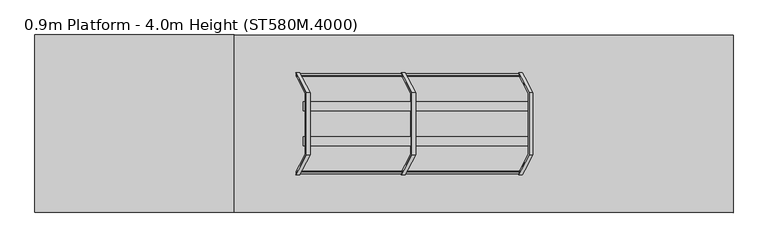
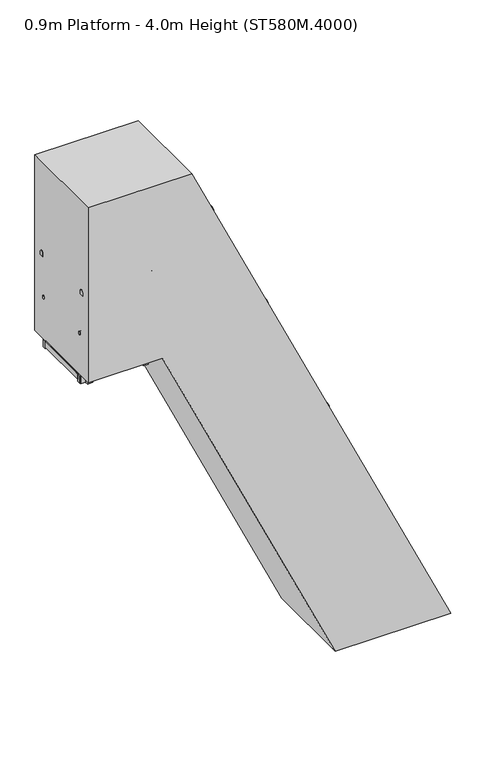
"""IFC4 building model written with IfcOpenShell, lengths in millimetres: proxy geometry, 0.9m Platform - 4.0m Height (ST580M.4000)."""

from ifc_helpers import new_model, si_unit, point, frame, frame_2d, origin, origin_with_axes, place, context, project, spatial, polyline, circle_curve, ellipse_curve, trimmed, segment, composite_curve, outline, extrude, source, transform, mapped, element, save
from ifc_brep_helpers import plane_surface, cylinder_surface, advanced_brep


def proxy_0_9m_platform_4_0m_height_st580m_4000_9453c8ec(model_context):
    return source(origin(), model_context, "Body", "SolidModel", [
        extrude(outline(polyline([(3750.0, -287.4257396), (3670.0, -250.121132), (3670.0, -139.783335), (3750.0, -177.0879476), (3750.0, -287.4257396)])), frame((0.0, 298.5, 0.0), z_axis=(0.0, 1.0, 0.0), x_axis=(0.0, 0.0, 1.0)), (0.0, 0.0, 1.0), 6.0),
        extrude(outline(polyline([(3750.0, -287.4257396), (3670.0, -250.121132), (3670.0, -139.783335), (3750.0, -177.0879476), (3750.0, -287.4257396)])), frame((0.0, -304.5, 0.0), z_axis=(0.0, 1.0, 0.0), x_axis=(0.0, 0.0, 1.0)), (0.0, 0.0, 1.0), 6.0),
        extrude(outline(polyline([(3750.0, -280.2537833), (3712.0999991, -262.5807251), (3712.0999991, -260.3739693), (3747.0, -276.6481048), (3747.0, -177.8957805), (3712.0999991, -161.6216428), (3712.0999991, -159.414887), (3750.0, -177.0879476), (3750.0, -197.5156888), (3749.2749538, -197.8537833), (3750.0, -198.1918779), (3750.0, -218.1156888), (3749.2749538, -218.4537833), (3750.0, -218.7918779), (3750.0, -238.7156888), (3749.2749538, -239.0537833), (3750.0, -239.3918779), (3750.0, -259.3156888), (3749.2749538, -259.6537833), (3750.0, -259.9918779), (3750.0, -280.2537833)])), frame((0.0, -298.5, 0.0), z_axis=(0.0, 1.0, 0.0), x_axis=(0.0, 0.0, 1.0)), (0.0, 0.0, 1.0), 597.0),
        extrude(outline(polyline([(3500.0, -170.8466911), (3420.0, -133.5420835), (3420.0, -23.2042864), (3500.0, -60.5088991), (3500.0, -170.8466911)])), frame((0.0, 298.5, 0.0), z_axis=(0.0, 1.0, 0.0), x_axis=(0.0, 0.0, 1.0)), (0.0, 0.0, 1.0), 6.0),
        extrude(outline(polyline([(3500.0, -170.8466911), (3420.0, -133.5420835), (3420.0, -23.2042864), (3500.0, -60.5088991), (3500.0, -170.8466911)])), frame((0.0, -304.5, 0.0), z_axis=(0.0, 1.0, 0.0), x_axis=(0.0, 0.0, 1.0)), (0.0, 0.0, 1.0), 6.0),
        extrude(outline(polyline([(3500.0, -163.6747348), (3462.0999991, -146.0016765), (3462.0999991, -143.7949207), (3497.0, -160.0690562), (3497.0, -61.3167319), (3462.0999991, -45.0425943), (3462.0999991, -42.8358384), (3500.0, -60.5088991), (3500.0, -80.9366402), (3499.2749538, -81.2747348), (3500.0, -81.6128293), (3500.0, -101.5366402), (3499.2749538, -101.8747348), (3500.0, -102.2128293), (3500.0, -122.1366402), (3499.2749538, -122.4747348), (3500.0, -122.8128293), (3500.0, -142.7366402), (3499.2749538, -143.0747348), (3500.0, -143.4128293), (3500.0, -163.6747348)])), frame((0.0, -298.5, 0.0), z_axis=(0.0, 1.0, 0.0), x_axis=(0.0, 0.0, 1.0)), (0.0, 0.0, 1.0), 597.0),
        extrude(outline(polyline([(3250.0, -54.2676425), (3170.0, -16.9630349), (3170.0, 93.3747622), (3250.0, 56.0701495), (3250.0, -54.2676425)])), frame((0.0, 298.5, 0.0), z_axis=(0.0, 1.0, 0.0), x_axis=(0.0, 0.0, 1.0)), (0.0, 0.0, 1.0), 6.0),
        extrude(outline(polyline([(3250.0, -54.2676425), (3170.0, -16.9630349), (3170.0, 93.3747622), (3250.0, 56.0701495), (3250.0, -54.2676425)])), frame((0.0, -304.5, 0.0), z_axis=(0.0, 1.0, 0.0), x_axis=(0.0, 0.0, 1.0)), (0.0, 0.0, 1.0), 6.0),
        extrude(outline(polyline([(3250.0, -47.0956862), (3212.0999991, -29.422628), (3212.0999991, -27.2158722), (3247.0, -43.4900077), (3247.0, 55.2623166), (3212.0999991, 71.5364543), (3212.0999991, 73.7432101), (3250.0, 56.0701495), (3250.0, 35.6424083), (3249.2749538, 35.3043138), (3250.0, 34.9662192), (3250.0, 15.0424083), (3249.2749538, 14.7043138), (3250.0, 14.3662192), (3250.0, -5.5575917), (3249.2749538, -5.8956862), (3250.0, -6.2337808), (3250.0, -26.1575917), (3249.2749538, -26.4956862), (3250.0, -26.8337808), (3250.0, -47.0956862)])), frame((0.0, -298.5, 0.0), z_axis=(0.0, 1.0, 0.0), x_axis=(0.0, 0.0, 1.0)), (0.0, 0.0, 1.0), 597.0),
        extrude(outline(polyline([(3000.0, 62.311406), (2920.0, 99.6160136), (2920.0, 209.9538107), (3000.0, 172.6491981), (3000.0, 62.311406)])), frame((0.0, 298.5, 0.0), z_axis=(0.0, 1.0, 0.0), x_axis=(0.0, 0.0, 1.0)), (0.0, 0.0, 1.0), 6.0),
        extrude(outline(polyline([(3000.0, 62.311406), (2920.0, 99.6160136), (2920.0, 209.9538107), (3000.0, 172.6491981), (3000.0, 62.311406)])), frame((0.0, -304.5, 0.0), z_axis=(0.0, 1.0, 0.0), x_axis=(0.0, 0.0, 1.0)), (0.0, 0.0, 1.0), 6.0),
        extrude(outline(polyline([(3000.0, 69.4833623), (2962.0999991, 87.1564206), (2962.0999991, 89.3631764), (2997.0, 73.0890409), (2997.0, 171.8413652), (2962.0999991, 188.1155029), (2962.0999991, 190.3222587), (3000.0, 172.6491981), (3000.0, 152.2214569), (2999.2749538, 151.8833623), (3000.0, 151.5452678), (3000.0, 131.6214569), (2999.2749538, 131.2833623), (3000.0, 130.9452678), (3000.0, 111.0214569), (2999.2749538, 110.6833623), (3000.0, 110.3452678), (3000.0, 90.4214569), (2999.2749538, 90.0833623), (3000.0, 89.7452678), (3000.0, 69.4833623)])), frame((0.0, -298.5, 0.0), z_axis=(0.0, 1.0, 0.0), x_axis=(0.0, 0.0, 1.0)), (0.0, 0.0, 1.0), 597.0),
        extrude(outline(polyline([(2750.0, 178.8904546), (2670.0, 216.1950622), (2670.0, 326.5328593), (2750.0, 289.2282466), (2750.0, 178.8904546)])), frame((0.0, 298.5, 0.0), z_axis=(0.0, 1.0, 0.0), x_axis=(0.0, 0.0, 1.0)), (0.0, 0.0, 1.0), 6.0),
        extrude(outline(polyline([(2750.0, 178.8904546), (2670.0, 216.1950622), (2670.0, 326.5328593), (2750.0, 289.2282466), (2750.0, 178.8904546)])), frame((0.0, -304.5, 0.0), z_axis=(0.0, 1.0, 0.0), x_axis=(0.0, 0.0, 1.0)), (0.0, 0.0, 1.0), 6.0),
        extrude(outline(polyline([(2750.0, 186.0624109), (2712.0999991, 203.7354691), (2712.0999991, 205.9422249), (2747.0, 189.6680895), (2747.0, 288.4204137), (2712.0999991, 304.6945514), (2712.0999991, 306.9013072), (2750.0, 289.2282466), (2750.0, 268.8005055), (2749.2749538, 268.4624109), (2750.0, 268.1243163), (2750.0, 248.2005055), (2749.2749538, 247.8624109), (2750.0, 247.5243163), (2750.0, 227.6005055), (2749.2749538, 227.2624109), (2750.0, 226.9243163), (2750.0, 207.0005055), (2749.2749538, 206.6624109), (2750.0, 206.3243163), (2750.0, 186.0624109)])), frame((0.0, -298.5, 0.0), z_axis=(0.0, 1.0, 0.0), x_axis=(0.0, 0.0, 1.0)), (0.0, 0.0, 1.0), 597.0),
        extrude(outline(polyline([(2500.0, 295.4695031), (2420.0, 332.7741107), (2420.0, 443.1119078), (2500.0, 405.8072952), (2500.0, 295.4695031)])), frame((0.0, 298.5, 0.0), z_axis=(0.0, 1.0, 0.0), x_axis=(0.0, 0.0, 1.0)), (0.0, 0.0, 1.0), 6.0),
        extrude(outline(polyline([(2500.0, 295.4695031), (2420.0, 332.7741107), (2420.0, 443.1119078), (2500.0, 405.8072952), (2500.0, 295.4695031)])), frame((0.0, -304.5, 0.0), z_axis=(0.0, 1.0, 0.0), x_axis=(0.0, 0.0, 1.0)), (0.0, 0.0, 1.0), 6.0),
        extrude(outline(polyline([(2500.0, 302.6414594), (2462.0999991, 320.3145177), (2462.0999991, 322.5212735), (2497.0, 306.247138), (2497.0, 404.9994623), (2462.0999991, 421.2736), (2462.0999991, 423.4803558), (2500.0, 405.8072952), (2500.0, 385.379554), (2499.2749538, 385.0414594), (2500.0, 384.7033649), (2500.0, 364.779554), (2499.2749538, 364.4414594), (2500.0, 364.1033649), (2500.0, 344.179554), (2499.2749538, 343.8414594), (2500.0, 343.5033649), (2500.0, 323.579554), (2499.2749538, 323.2414594), (2500.0, 322.9033649), (2500.0, 302.6414594)])), frame((0.0, -298.5, 0.0), z_axis=(0.0, 1.0, 0.0), x_axis=(0.0, 0.0, 1.0)), (0.0, 0.0, 1.0), 597.0),
        extrude(outline(polyline([(2250.0, 412.0485517), (2170.0, 449.3531593), (2170.0, 559.6909564), (2250.0, 522.3863437), (2250.0, 412.0485517)])), frame((0.0, 298.5, 0.0), z_axis=(0.0, 1.0, 0.0), x_axis=(0.0, 0.0, 1.0)), (0.0, 0.0, 1.0), 6.0),
        extrude(outline(polyline([(2250.0, 412.0485517), (2170.0, 449.3531593), (2170.0, 559.6909564), (2250.0, 522.3863437), (2250.0, 412.0485517)])), frame((0.0, -304.5, 0.0), z_axis=(0.0, 1.0, 0.0), x_axis=(0.0, 0.0, 1.0)), (0.0, 0.0, 1.0), 6.0),
        extrude(outline(polyline([(2250.0, 419.220508), (2212.0999991, 436.8935662), (2212.0999991, 439.100322), (2247.0, 422.8261866), (2247.0, 521.5785109), (2212.0999991, 537.8526485), (2212.0999991, 540.0594044), (2250.0, 522.3863437), (2250.0, 501.9586026), (2249.2749538, 501.620508), (2250.0, 501.2824134), (2250.0, 481.3586026), (2249.2749538, 481.020508), (2250.0, 480.6824134), (2250.0, 460.7586026), (2249.2749538, 460.420508), (2250.0, 460.0824134), (2250.0, 440.1586026), (2249.2749538, 439.820508), (2250.0, 439.4824134), (2250.0, 419.220508)])), frame((0.0, -298.5, 0.0), z_axis=(0.0, 1.0, 0.0), x_axis=(0.0, 0.0, 1.0)), (0.0, 0.0, 1.0), 597.0),
        extrude(outline(polyline([(2000.0, 528.6276002), (1920.0, 565.9322078), (1920.0, 676.2700049), (2000.0, 638.9653923), (2000.0, 528.6276002)])), frame((0.0, 298.5, 0.0), z_axis=(0.0, 1.0, 0.0), x_axis=(0.0, 0.0, 1.0)), (0.0, 0.0, 1.0), 6.0),
        extrude(outline(polyline([(2000.0, 528.6276002), (1920.0, 565.9322078), (1920.0, 676.2700049), (2000.0, 638.9653923), (2000.0, 528.6276002)])), frame((0.0, -304.5, 0.0), z_axis=(0.0, 1.0, 0.0), x_axis=(0.0, 0.0, 1.0)), (0.0, 0.0, 1.0), 6.0),
        extrude(outline(polyline([(2000.0, 535.7995565), (1962.0999991, 553.4726148), (1962.0999991, 555.6793706), (1997.0, 539.4052351), (1997.0, 638.1575594), (1962.0999991, 654.4316971), (1962.0999991, 656.6384529), (2000.0, 638.9653923), (2000.0, 618.5376511), (1999.2749538, 618.1995565), (2000.0, 617.861462), (2000.0, 597.9376511), (1999.2749538, 597.5995565), (2000.0, 597.261462), (2000.0, 577.3376511), (1999.2749538, 576.9995565), (2000.0, 576.661462), (2000.0, 556.7376511), (1999.2749538, 556.3995565), (2000.0, 556.061462), (2000.0, 535.7995565)])), frame((0.0, -298.5, 0.0), z_axis=(0.0, 1.0, 0.0), x_axis=(0.0, 0.0, 1.0)), (0.0, 0.0, 1.0), 597.0),
        extrude(outline(polyline([(1750.0, 645.2066488), (1670.0, 682.5112564), (1670.0, 792.8490535), (1750.0, 755.5444408), (1750.0, 645.2066488)])), frame((0.0, 298.5, 0.0), z_axis=(0.0, 1.0, 0.0), x_axis=(0.0, 0.0, 1.0)), (0.0, 0.0, 1.0), 6.0),
        extrude(outline(polyline([(1750.0, 645.2066488), (1670.0, 682.5112564), (1670.0, 792.8490535), (1750.0, 755.5444408), (1750.0, 645.2066488)])), frame((0.0, -304.5, 0.0), z_axis=(0.0, 1.0, 0.0), x_axis=(0.0, 0.0, 1.0)), (0.0, 0.0, 1.0), 6.0),
        extrude(outline(polyline([(1750.0, 652.3786051), (1712.0999991, 670.0516633), (1712.0999991, 672.2584191), (1747.0, 655.9842837), (1747.0, 754.736608), (1712.0999991, 771.0107456), (1712.0999991, 773.2175015), (1750.0, 755.5444408), (1750.0, 735.1166997), (1749.2749538, 734.7786051), (1750.0, 734.4405105), (1750.0, 714.5166997), (1749.2749538, 714.1786051), (1750.0, 713.8405105), (1750.0, 693.9166997), (1749.2749538, 693.5786051), (1750.0, 693.2405105), (1750.0, 673.3166997), (1749.2749538, 672.9786051), (1750.0, 672.6405105), (1750.0, 652.3786051)])), frame((0.0, -298.5, 0.0), z_axis=(0.0, 1.0, 0.0), x_axis=(0.0, 0.0, 1.0)), (0.0, 0.0, 1.0), 597.0),
        extrude(outline(polyline([(1500.0, 761.7856974), (1420.0, 799.090305), (1420.0, 909.428102), (1500.0, 872.1234894), (1500.0, 761.7856974)])), frame((0.0, 298.5, 0.0), z_axis=(0.0, 1.0, 0.0), x_axis=(0.0, 0.0, 1.0)), (0.0, 0.0, 1.0), 6.0),
        extrude(outline(polyline([(1500.0, 761.7856974), (1420.0, 799.090305), (1420.0, 909.428102), (1500.0, 872.1234894), (1500.0, 761.7856974)])), frame((0.0, -304.5, 0.0), z_axis=(0.0, 1.0, 0.0), x_axis=(0.0, 0.0, 1.0)), (0.0, 0.0, 1.0), 6.0),
        extrude(outline(polyline([(1500.0, 768.9576537), (1462.0999991, 786.6307119), (1462.0999991, 788.8374677), (1497.0, 772.5633322), (1497.0, 871.3156565), (1462.0999991, 887.5897942), (1462.0999991, 889.79655), (1500.0, 872.1234894), (1500.0, 851.6957482), (1499.2749538, 851.3576537), (1500.0, 851.0195591), (1500.0, 831.0957482), (1499.2749538, 830.7576537), (1500.0, 830.4195591), (1500.0, 810.4957482), (1499.2749538, 810.1576537), (1500.0, 809.8195591), (1500.0, 789.8957482), (1499.2749538, 789.5576537), (1500.0, 789.2195591), (1500.0, 768.9576537)])), frame((0.0, -298.5, 0.0), z_axis=(0.0, 1.0, 0.0), x_axis=(0.0, 0.0, 1.0)), (0.0, 0.0, 1.0), 597.0),
        extrude(outline(polyline([(1250.0, 878.3647459), (1170.0, 915.6693535), (1170.0, 1026.0071506), (1250.0, 988.7025379), (1250.0, 878.3647459)])), frame((0.0, 298.5, 0.0), z_axis=(0.0, 1.0, 0.0), x_axis=(0.0, 0.0, 1.0)), (0.0, 0.0, 1.0), 6.0),
        extrude(outline(polyline([(1250.0, 878.3647459), (1170.0, 915.6693535), (1170.0, 1026.0071506), (1250.0, 988.7025379), (1250.0, 878.3647459)])), frame((0.0, -304.5, 0.0), z_axis=(0.0, 1.0, 0.0), x_axis=(0.0, 0.0, 1.0)), (0.0, 0.0, 1.0), 6.0),
        extrude(outline(polyline([(1250.0, 885.5367022), (1212.0999991, 903.2097605), (1212.0999991, 905.4165162), (1247.0, 889.1423808), (1247.0, 987.8947051), (1212.0999991, 1004.1688427), (1212.0999991, 1006.3755986), (1250.0, 988.7025379), (1250.0, 968.2747968), (1249.2749538, 967.9367022), (1250.0, 967.5986076), (1250.0, 947.6747968), (1249.2749538, 947.3367022), (1250.0, 946.9986076), (1250.0, 927.0747968), (1249.2749538, 926.7367022), (1250.0, 926.3986076), (1250.0, 906.4747968), (1249.2749538, 906.1367022), (1250.0, 905.7986076), (1250.0, 885.5367022)])), frame((0.0, -298.5, 0.0), z_axis=(0.0, 1.0, 0.0), x_axis=(0.0, 0.0, 1.0)), (0.0, 0.0, 1.0), 597.0),
        extrude(outline(polyline([(1000.0, 994.9437945), (920.0, 1032.2484021), (920.0, 1142.5861991), (1000.0, 1105.2815865), (1000.0, 994.9437945)])), frame((0.0, 298.5, 0.0), z_axis=(0.0, 1.0, 0.0), x_axis=(0.0, 0.0, 1.0)), (0.0, 0.0, 1.0), 6.0),
        extrude(outline(polyline([(1000.0, 994.9437945), (920.0, 1032.2484021), (920.0, 1142.5861991), (1000.0, 1105.2815865), (1000.0, 994.9437945)])), frame((0.0, -304.5, 0.0), z_axis=(0.0, 1.0, 0.0), x_axis=(0.0, 0.0, 1.0)), (0.0, 0.0, 1.0), 6.0),
        extrude(outline(polyline([(1000.0, 1002.1157508), (962.0999991, 1019.788809), (962.0999991, 1021.9955648), (997.0, 1005.7214293), (997.0, 1104.4737536), (962.0999991, 1120.7478913), (962.0999991, 1122.9546471), (1000.0, 1105.2815865), (1000.0, 1084.8538453), (999.2749538, 1084.5157508), (1000.0, 1084.1776562), (1000.0, 1064.2538453), (999.2749538, 1063.9157508), (1000.0, 1063.5776562), (1000.0, 1043.6538453), (999.2749538, 1043.3157508), (1000.0, 1042.9776562), (1000.0, 1023.0538453), (999.2749538, 1022.7157508), (1000.0, 1022.3776562), (1000.0, 1002.1157508)])), frame((0.0, -298.5, 0.0), z_axis=(0.0, 1.0, 0.0), x_axis=(0.0, 0.0, 1.0)), (0.0, 0.0, 1.0), 597.0),
        extrude(outline(polyline([(750.0, 1111.522843), (670.0, 1148.8274506), (670.0, 1259.1652477), (750.0, 1221.860635), (750.0, 1111.522843)])), frame((0.0, 298.5, 0.0), z_axis=(0.0, 1.0, 0.0), x_axis=(0.0, 0.0, 1.0)), (0.0, 0.0, 1.0), 6.0),
        extrude(outline(polyline([(750.0, 1111.522843), (670.0, 1148.8274506), (670.0, 1259.1652477), (750.0, 1221.860635), (750.0, 1111.522843)])), frame((0.0, -304.5, 0.0), z_axis=(0.0, 1.0, 0.0), x_axis=(0.0, 0.0, 1.0)), (0.0, 0.0, 1.0), 6.0),
        extrude(outline(polyline([(750.0, 1118.6947993), (712.0999991, 1136.3678576), (712.0999991, 1138.5746133), (747.0, 1122.3004779), (747.0, 1221.0528022), (712.0999991, 1237.3269398), (712.0999991, 1239.5336957), (750.0, 1221.860635), (750.0, 1201.4328939), (749.2749538, 1201.0947993), (750.0, 1200.7567047), (750.0, 1180.8328939), (749.2749538, 1180.4947993), (750.0, 1180.1567047), (750.0, 1160.2328939), (749.2749538, 1159.8947993), (750.0, 1159.5567047), (750.0, 1139.6328939), (749.2749538, 1139.2947993), (750.0, 1138.9567047), (750.0, 1118.6947993)])), frame((0.0, -298.5, 0.0), z_axis=(0.0, 1.0, 0.0), x_axis=(0.0, 0.0, 1.0)), (0.0, 0.0, 1.0), 597.0),
        extrude(outline(polyline([(500.0, 1228.1018916), (420.0, 1265.4064992), (420.0, 1375.7442962), (500.0, 1338.4396836), (500.0, 1228.1018916)])), frame((0.0, 298.5, 0.0), z_axis=(0.0, 1.0, 0.0), x_axis=(0.0, 0.0, 1.0)), (0.0, 0.0, 1.0), 6.0),
        extrude(outline(polyline([(500.0, 1228.1018916), (420.0, 1265.4064992), (420.0, 1375.7442962), (500.0, 1338.4396836), (500.0, 1228.1018916)])), frame((0.0, -304.5, 0.0), z_axis=(0.0, 1.0, 0.0), x_axis=(0.0, 0.0, 1.0)), (0.0, 0.0, 1.0), 6.0),
        extrude(outline(polyline([(500.0, 1235.2738479), (462.0999991, 1252.9469061), (462.0999991, 1255.1536619), (497.0, 1238.8795264), (497.0, 1337.6318507), (462.0999991, 1353.9059884), (462.0999991, 1356.1127442), (500.0, 1338.4396836), (500.0, 1318.0119424), (499.2749538, 1317.6738479), (500.0, 1317.3357533), (500.0, 1297.4119424), (499.2749538, 1297.0738479), (500.0, 1296.7357533), (500.0, 1276.8119424), (499.2749538, 1276.4738479), (500.0, 1276.1357533), (500.0, 1256.2119424), (499.2749538, 1255.8738479), (500.0, 1255.5357533), (500.0, 1235.2738479)])), frame((0.0, -298.5, 0.0), z_axis=(0.0, 1.0, 0.0), x_axis=(0.0, 0.0, 1.0)), (0.0, 0.0, 1.0), 597.0),
        extrude(outline(polyline([(0.0, -6.0), (0.0, 0.0), (50.0, 0.0), (50.0, -6.0), (0.0, -6.0)])), frame((535.2019478, 296.0, 1938.5825879), z_axis=(-6.583104959989594e-06, 0.0, 0.9999999999783316), x_axis=(0.0, -1.0, 0.0)), (0.0, 0.0, 1.0), 120.0),
        extrude(outline(polyline([(2000.5832794, 640.2473839), (2058.5831013, 613.2011579), (2058.5825879, 535.2011579), (2000.5825879, 535.2015397), (2000.5832794, 640.2473839)])), frame((0.0, 252.0, 0.0), z_axis=(0.0, 1.0, 0.0), x_axis=(0.0, 0.0, 1.0)), (0.0, 0.0, 1.0), 38.0),
        extrude(outline(polyline([(0.0, -6.0), (0.0, 0.0), (50.0, 0.0), (50.0, -6.0), (0.0, -6.0)])), frame((529.2019478, -296.0, 1938.5825484), z_axis=(-6.5831049575471035e-06, 0.0, 0.9999999999783314), x_axis=(0.0, 1.0, 0.0)), (0.0, 0.0, 1.0), 120.0),
        extrude(outline(polyline([(2000.5832794, 640.2473839), (2058.5831013, 613.2011579), (2058.5825879, 535.2011579), (2000.5825879, 535.2015397), (2000.5832794, 640.2473839)])), frame((0.0, -290.0, 0.0), z_axis=(0.0, 1.0, 0.0), x_axis=(0.0, 0.0, 1.0)), (0.0, 0.0, 1.0), 38.0),
        extrude(outline(polyline([(0.0, -590.0), (0.0, 0.0), (2.0, 0.0), (2.0, -590.0), (0.0, -590.0)])), frame((1594.0185078, -295.0, 49.8963846), z_axis=(-0.4226242280508227, 0.0, 0.9063050048766399), x_axis=(-0.9063050048766399, 0.0, -0.4226242280508227)), (0.0, 0.0, 1.0), 2240.0),
        extrude(outline(polyline([(2250.0, 0.0), (2250.0, -600.0), (0.0, -600.0), (0.0, 0.0), (2250.0, 0.0)]), holes=[polyline([(1096.0, -58.0), (58.0, -58.0), (58.0, -542.0), (1096.0, -542.0), (1096.0, -58.0)]), polyline([(1154.0, -542.0), (2192.0, -542.0), (2192.0, -58.0), (1154.0, -58.0), (1154.0, -542.0)])]), frame((608.9749156, 300.0, 2067.6461514), z_axis=(0.9063050048766399, 0.0, 0.4226242280508227), x_axis=(0.4226242280508227, 0.0, -0.9063050048766399)), (0.0, 0.0, 1.0), 38.0),
        extrude(outline(polyline([(0.0, 0.0), (80.0, 0.0), (80.0, -6.0), (6.0, -6.0), (6.0, -50.0), (0.0, -50.0), (0.0, 0.0)])), frame((1492.2595522, 343.0, 173.4686912), z_axis=(-0.4226242280508227, 0.0, 0.9063050048766399), x_axis=(-0.9063050048766399, 0.0, -0.4226242280508227)), (0.0, 0.0, 1.0), 50.0),
        extrude(outline(polyline([(0.0, 686.0), (0.0, 736.0), (6.0, 736.0), (6.0, 692.0), (80.0, 692.0), (80.0, 686.0), (0.0, 686.0)])), frame((1492.2595522, 343.0, 173.4686912), z_axis=(-0.4226242280508227, 0.0, 0.9063050048766399), x_axis=(-0.9063050048766399, 0.0, -0.4226242280508227)), (0.0, 0.0, 1.0), 50.0),
        extrude(outline(polyline([(-100.0, 0.0), (0.0, 0.0), (0.0, -50.0), (-6.0, -50.0), (-6.0, -6.0000001), (-100.0, -6.0000001), (-100.0, 0.0)])), frame((1492.2595522, -300.0, 173.4686912), z_axis=(-0.4226242280508227, 0.0, 0.9063050048766399), x_axis=(0.0, 1.0, 0.0)), (0.0, 0.0, 1.0), 50.0),
        extrude(outline(polyline([(700.0, 0.0), (700.0, -6.0000001), (606.0, -6.0000001), (606.0, -50.0), (600.0, -50.0), (600.0, 0.0), (700.0, 0.0)])), frame((1492.2595522, -300.0, 173.4686912), z_axis=(-0.4226242280508227, 0.0, 0.9063050048766399), x_axis=(0.0, 1.0, 0.0)), (0.0, 0.0, 1.0), 50.0),
        extrude(outline(polyline([(1117.9768328, 1095.955855), (1132.3718132, 1142.2055527), (1038.1160927, 1186.1584724), (1011.9391472, 1145.4028897), (989.2815221, 1155.9684954), (993.5077644, 1165.0315454), (1008.0086445, 1158.2695578), (1034.18559, 1199.0251405), (1144.7548006, 1147.4649847), (1130.3598201, 1101.215287), (1144.8607002, 1094.4532994), (1140.6344579, 1085.3902493), (1117.9768328, 1095.955855)])), frame((0.0, 201.0, 0.0), z_axis=(0.0, 1.0, 0.0), x_axis=(0.0, 0.0, 1.0)), (0.0, 0.0, 1.0), 44.0),
        extrude(outline(polyline([(1117.9768328, 1095.955855), (1132.3718132, 1142.2055527), (1038.1160927, 1186.1584724), (1011.9391472, 1145.4028897), (989.2815221, 1155.9684954), (993.5077644, 1165.0315454), (1008.0086445, 1158.2695578), (1034.18559, 1199.0251405), (1144.7548006, 1147.4649847), (1130.3598201, 1101.215287), (1144.8607002, 1094.4532994), (1140.6344579, 1085.3902493), (1117.9768328, 1095.955855)])), frame((0.0, -245.0, 0.0), z_axis=(0.0, 1.0, 0.0), x_axis=(0.0, 0.0, 1.0)), (0.0, 0.0, 1.0), 44.0),
        extrude(outline(polyline([(-573.915974, 0.0), (0.0, 0.0), (168.0, -100.0), (268.0, -275.0), (268.0, -621.0), (168.0, -796.0), (0.0, -896.0), (-573.915974, -896.0), (-626.9765801, -845.0), (-710.8030303, -845.0), (-710.8030303, -839.0), (-624.560606, -839.0), (-571.5, -890.0), (-1.5933867, -890.0), (163.6024049, -791.6024049), (262.0, -619.4066134), (262.0, -276.5933866), (163.6024049, -104.3975951), (-1.5933867, -6.0), (-571.5, -6.0), (-624.560606, -57.0), (-710.8030303, -57.0), (-710.8030303, -51.0), (-626.9765801, -51.0), (-573.915974, 0.0)])), frame((4.120262, 448.0, 5128.9323502), z_axis=(-0.4226242280508227, 0.0, 0.9063050048766399), x_axis=(0.9063050048766399, 0.0, 0.4226242280508227)), (0.0, 0.0, 1.0), 50.0),
        extrude(outline(polyline([(-6.0, 0.0), (0.0, 0.0), (0.0, -77.5840259), (99.0, -180.5840259), (99.0, -827.0), (-1.0, -994.9999999), (-176.0, -1095.0), (-522.0, -1095.0), (-697.0, -994.9999999), (-797.0, -827.0), (-797.0, -180.5840259), (-698.0, -77.5840259), (-698.0, 0.0), (-692.0, 0.0), (-692.0, -80.0), (-791.0, -183.0), (-791.0, -825.4066133), (-692.6024049, -990.6024049), (-520.4066134, -1089.0), (-177.5933866, -1089.0), (-5.3975951, -990.6024049), (93.0, -825.4066133), (93.0, -183.0), (-6.0, -80.0), (-6.0, 0.0)])), frame((504.0599175, 349.0, 2100.005642), z_axis=(-0.4226242280508227, 0.0, 0.9063050048766399), x_axis=(0.0, 1.0, 0.0)), (0.0, 0.0, 1.0), 50.0),
        extrude(outline(polyline([(0.0, 0.0), (50.0, 0.0), (50.0, -12.0), (0.0, -12.0), (0.0, 0.0)])), frame((920.0539147, 430.0, 2293.9901627), z_axis=(-0.4226242280508227, 0.0, 0.9063050048766399), x_axis=(-0.9063050048766399, 0.0, -0.4226242280508227)), (0.0, 0.0, 1.0), 3006.418046),
        extrude(outline(polyline([(-210.0, 0.0), (-160.0, 0.0), (-160.0, -12.0), (-210.0, -12.0), (-210.0, 0.0)])), frame((920.0539147, 430.0, 2293.9901627), z_axis=(-0.4226242280508227, 0.0, 0.9063050048766399), x_axis=(-0.9063050048766399, 0.0, -0.4226242280508227)), (0.0, 0.0, 1.0), 3006.418046),
        extrude(outline(polyline([(-630.0, 357.5), (-618.0, 357.5), (-618.0, 307.5), (-630.0, 307.5), (-630.0, 357.5)])), frame((920.0539147, 430.0, 2293.9901627), z_axis=(-0.4226242280508227, 0.0, 0.9063050048766399), x_axis=(-0.9063050048766399, 0.0, -0.4226242280508227)), (0.0, 0.0, 1.0), 3006.418046),
        extrude(outline(polyline([(-630.0, 552.5), (-618.0, 552.5), (-618.0, 502.5), (-630.0, 502.5), (-630.0, 552.5)])), frame((920.0539147, 430.0, 2293.9901627), z_axis=(-0.4226242280508227, 0.0, 0.9063050048766399), x_axis=(-0.9063050048766399, 0.0, -0.4226242280508227)), (0.0, 0.0, 1.0), 3006.418046),
        extrude(outline(polyline([(-210.0, 872.0), (-160.0, 872.0), (-160.0, 860.0), (-210.0, 860.0), (-210.0, 872.0)])), frame((920.0539147, 430.0, 2293.9901627), z_axis=(-0.4226242280508227, 0.0, 0.9063050048766399), x_axis=(-0.9063050048766399, 0.0, -0.4226242280508227)), (0.0, 0.0, 1.0), 3006.418046),
        extrude(outline(polyline([(0.0, 872.0), (50.0, 872.0), (50.0, 860.0), (0.0, 860.0), (0.0, 872.0)])), frame((920.0539147, 430.0, 2293.9901627), z_axis=(-0.4226242280508227, 0.0, 0.9063050048766399), x_axis=(-0.9063050048766399, 0.0, -0.4226242280508227)), (0.0, 0.0, 1.0), 3006.418046),
        extrude(outline(polyline([(-416.1782521, 29.5287957), (-373.2212406, 3.9417841), (-379.3621234, -6.3678986), (-422.3191349, 19.2191129), (-416.1782521, 29.5287957)])), frame((920.0539147, 430.0, 2293.9901627), z_axis=(-0.4226242280508227, 0.0, 0.9063050048766399), x_axis=(-0.9063050048766399, 0.0, -0.4226242280508227)), (0.0, 0.0, 1.0), 3006.418046),
        extrude(outline(polyline([(-578.1954412, 161.8104088), (-567.7765236, 167.7640761), (-542.9695766, 124.351919), (-553.3884944, 118.3982517), (-578.1954412, 161.8104088)])), frame((920.0539147, 430.0, 2293.9901627), z_axis=(-0.4226242280508227, 0.0, 0.9063050048766399), x_axis=(-0.9063050048766399, 0.0, -0.4226242280508227)), (0.0, 0.0, 1.0), 3006.418046),
        extrude(outline(polyline([(-416.1782521, 830.4712043), (-422.3191349, 840.7808871), (-379.3621234, 866.3678986), (-373.2212406, 856.0582159), (-416.1782521, 830.4712043)])), frame((920.0539147, 430.0, 2293.9901627), z_axis=(-0.4226242280508227, 0.0, 0.9063050048766399), x_axis=(-0.9063050048766399, 0.0, -0.4226242280508227)), (0.0, 0.0, 1.0), 3006.418046),
        extrude(outline(polyline([(-578.1954412, 698.1895912), (-553.3884944, 741.6017483), (-542.9695766, 735.648081), (-567.7765236, 692.2359239), (-578.1954412, 698.1895912)])), frame((920.0539147, 430.0, 2293.9901627), z_axis=(-0.4226242280508227, 0.0, 0.9063050048766399), x_axis=(-0.9063050048766399, 0.0, -0.4226242280508227)), (0.0, 0.0, 1.0), 3006.418046),
        extrude(outline(polyline([(-6.0, 0.0), (0.0, 0.0), (0.0, -77.5840259), (99.0, -180.5840259), (99.0, -827.0), (-1.0, -994.9999999), (-176.0, -1095.0), (-522.0, -1095.0), (-697.0, -994.9999999), (-797.0, -827.0), (-797.0, -180.5840259), (-698.0, -77.5840259), (-698.0, 0.0), (-692.0, 0.0), (-692.0, -79.9999999), (-791.0, -182.9999999), (-791.0, -825.4066133), (-692.6024049, -990.6024048), (-520.4066134, -1089.0), (-177.5933866, -1089.0), (-5.3975951, -990.6024048), (93.0, -825.4066133), (93.0, -182.9999999), (-6.0, -79.9999999), (-6.0, 0.0)])), frame((-153.7200577, 349.0, 3510.5951068), z_axis=(-0.4226242280508227, 0.0, 0.9063050048766399), x_axis=(0.0, 1.0, 0.0)), (0.0, 0.0, 1.0), 50.0),
        extrude(outline(polyline([(-0.0541093, 0.0), (0.7582532, 5.9447512), (185.4590013, 5.9447512), (254.8144324, -3.5328109), (254.0020699, -9.4775622), (184.6466388, 0.0), (-0.0541093, 0.0)])), frame((1262.6710983, 375.0, 1079.9819605), z_axis=(-0.4226242280508227, 0.0, 0.9063050048766399), x_axis=(-0.8979596324289318, -0.13539374535780632, -0.4187326500836578)), (0.0, 0.0, 1.0), 80.0),
        extrude(outline(polyline([(-0.0541093, 0.0), (0.7582532, 5.9447512), (185.4590013, 5.9447512), (254.8144324, -3.5328109), (254.0020699, -9.4775622), (184.6466388, 0.0), (-0.0541093, 0.0)])), frame((615.7436285, 375.0, 2467.2985523), z_axis=(-0.4226242280508227, 0.0, 0.9063050048766399), x_axis=(-0.8979596324289318, -0.13539374535780632, -0.4187326500836578)), (0.0, 0.0, 1.0), 80.0),
        extrude(outline(polyline([(-0.0541092, 0.0), (0.7582532, 5.9447512), (185.4590013, 5.9447512), (254.8144324, -3.5328109), (254.0020699, -9.4775622), (184.6466388, 0.0), (-0.0541092, 0.0)])), frame((-31.1838413, 375.0, 3854.6151441), z_axis=(-0.4226242280508227, 0.0, 0.9063050048766399), x_axis=(-0.8979596324289318, -0.13539374535780632, -0.4187326500836578)), (0.0, 0.0, 1.0), 80.0),
        extrude(outline(polyline([(0.0, 32.0), (3.0, 32.0), (3.0, 0.0), (0.0, 0.0), (0.0, 32.0)])), frame((631.1898583, 388.0, 2441.3999321), z_axis=(-0.4226242280508227, 0.0, 0.9063050048766399), x_axis=(-0.9063050048766399, 0.0, -0.4226242280508227)), (0.0, 0.0, 1.0), 140.0),
        extrude(outline(polyline([(0.0, 32.0), (3.0, 32.0), (3.0, 0.0), (0.0, 0.0), (0.0, 32.0)])), frame((1278.1173281, 388.0, 1054.0833403), z_axis=(-0.4226242280508227, 0.0, 0.9063050048766399), x_axis=(-0.9063050048766399, 0.0, -0.4226242280508227)), (0.0, 0.0, 1.0), 140.0),
        extrude(outline(polyline([(0.0, 32.0), (3.0, 32.0), (3.0, 0.0), (0.0, 0.0), (0.0, 32.0)])), frame((-15.7376115, 388.0, 3828.716524), z_axis=(-0.4226242280508227, 0.0, 0.9063050048766399), x_axis=(-0.9063050048766399, 0.0, -0.4226242280508227)), (0.0, 0.0, 1.0), 140.0),
        extrude(outline(composite_curve([segment(trimmed(circle_curve(frame_2d((0.0, 14.189404)), 22.4521533), [point((-17.4, 0.0))], [point((17.4, 0.0))], False, "CARTESIAN"), True, "CONTINUOUS"), segment(polyline([(17.4, 0.0), (-17.4, 0.0)]), True, "CONTINUOUS")], self_intersect=False)), frame((1349.9634469, 372.0, 900.0114895), z_axis=(-0.4226242280508227, 0.0, 0.9063050048766399), x_axis=(0.0, -1.0, 0.0)), (0.0, 0.0, 1.0), 4391.4783861),
        extrude(outline(polyline([(-0.0541092, 0.0), (184.6466389, 0.0), (254.0020699, 9.4775622), (254.8144324, 3.5328109), (185.4590014, -5.9447512), (0.7582532, -5.9447512), (-0.0541092, 0.0)])), frame((1262.6708235, -375.0, 1079.9825501), z_axis=(-0.4226242280508227, 0.0, 0.9063050048766399), x_axis=(-0.8979596324289318, 0.13539374535780632, -0.4187326500836578)), (0.0, 0.0, 1.0), 80.0),
        extrude(outline(polyline([(-0.0541092, 0.0), (184.6466389, 0.0), (254.0020699, 9.4775622), (254.8144324, 3.5328109), (185.4590014, -5.9447512), (0.7582532, -5.9447512), (-0.0541092, 0.0)])), frame((615.7433537, -375.0, 2467.2991419), z_axis=(-0.4226242280508227, 0.0, 0.9063050048766399), x_axis=(-0.8979596324289318, 0.13539374535780632, -0.4187326500836578)), (0.0, 0.0, 1.0), 80.0),
        extrude(outline(polyline([(-0.0541092, 0.0), (184.6466389, 0.0), (254.0020699, 9.4775622), (254.8144324, 3.5328109), (185.4590014, -5.9447512), (0.7582532, -5.9447512), (-0.0541092, 0.0)])), frame((-31.1841161, -375.0, 3854.6157337), z_axis=(-0.4226242280508227, 0.0, 0.9063050048766399), x_axis=(-0.8979596324289318, 0.13539374535780632, -0.4187326500836578)), (0.0, 0.0, 1.0), 80.0),
        extrude(outline(polyline([(0.0, -32.0), (0.0, 0.0), (3.0, 0.0), (3.0, -32.0), (0.0, -32.0)])), frame((631.1895835, -388.0, 2441.4005217), z_axis=(-0.4226242280508227, 0.0, 0.9063050048766399), x_axis=(-0.9063050048766399, 0.0, -0.4226242280508227)), (0.0, 0.0, 1.0), 140.0),
        extrude(outline(polyline([(0.0, -32.0), (0.0, 0.0), (3.0, 0.0), (3.0, -32.0), (0.0, -32.0)])), frame((1278.1170533, -388.0, 1054.0839299), z_axis=(-0.4226242280508227, 0.0, 0.9063050048766399), x_axis=(-0.9063050048766399, 0.0, -0.4226242280508227)), (0.0, 0.0, 1.0), 140.0),
        extrude(outline(polyline([(0.0, -32.0), (0.0, 0.0), (3.0, 0.0), (3.0, -32.0), (0.0, -32.0)])), frame((-15.7378863, -388.0, 3828.7171135), z_axis=(-0.4226242280508227, 0.0, 0.9063050048766399), x_axis=(-0.9063050048766399, 0.0, -0.4226242280508227)), (0.0, 0.0, 1.0), 140.0),
        extrude(outline(composite_curve([segment(polyline([(-17.4, 0.0), (17.4, 0.0)]), True, "CONTINUOUS"), segment(trimmed(circle_curve(frame_2d((0.0, -14.1894039)), 22.4521533), [point((17.4, 0.0))], [point((-17.4, 0.0))], False, "CARTESIAN"), True, "CONTINUOUS")], self_intersect=False)), frame((1349.9631721, -372.0, 900.0120791), z_axis=(-0.4226242280508227, 0.0, 0.9063050048766399), x_axis=(0.0, 1.0, 0.0)), (0.0, 0.0, 1.0), 4391.4783861),
        extrude(outline(polyline([(4000.0, -404.0047882), (3920.0, -366.7001806), (3920.0, -256.3623835), (4000.0, -293.6669962), (4000.0, -404.0047882)])), frame((0.0, 298.5, 0.0), z_axis=(0.0, 1.0, 0.0), x_axis=(0.0, 0.0, 1.0)), (0.0, 0.0, 1.0), 6.0),
        extrude(outline(polyline([(4000.0, -404.0047882), (3920.0, -366.7001806), (3920.0, -256.3623835), (4000.0, -293.6669962), (4000.0, -404.0047882)])), frame((0.0, -304.5, 0.0), z_axis=(0.0, 1.0, 0.0), x_axis=(0.0, 0.0, 1.0)), (0.0, 0.0, 1.0), 6.0),
        extrude(outline(polyline([(4000.0, -396.8328319), (3962.0999991, -379.1597736), (3962.0999991, -376.9530179), (3997.0, -393.2271533), (3997.0, -294.474829), (3962.0999991, -278.2006914), (3962.0999991, -275.9939355), (4000.0, -293.6669962), (4000.0, -314.0947373), (3999.2749538, -314.4328319), (4000.0, -314.7709265), (4000.0, -334.6947373), (3999.2749538, -335.0328319), (4000.0, -335.3709265), (4000.0, -355.2947373), (3999.2749538, -355.6328319), (4000.0, -355.9709265), (4000.0, -375.8947373), (3999.2749538, -376.2328319), (4000.0, -376.5709265), (4000.0, -396.8328319)])), frame((0.0, -298.5, 0.0), z_axis=(0.0, 1.0, 0.0), x_axis=(0.0, 0.0, 1.0)), (0.0, 0.0, 1.0), 597.0),
        extrude(outline(polyline([(250.0, 1344.6809401), (170.0, 1381.9855477), (170.0, 1492.3233448), (250.0, 1455.0187321), (250.0, 1344.6809401)])), frame((0.0, 298.5, 0.0), z_axis=(0.0, 1.0, 0.0), x_axis=(0.0, 0.0, 1.0)), (0.0, 0.0, 1.0), 6.0),
        extrude(outline(polyline([(250.0, 1344.6809401), (170.0, 1381.9855477), (170.0, 1492.3233448), (250.0, 1455.0187321), (250.0, 1344.6809401)])), frame((0.0, -304.5, 0.0), z_axis=(0.0, 1.0, 0.0), x_axis=(0.0, 0.0, 1.0)), (0.0, 0.0, 1.0), 6.0),
        extrude(outline(polyline([(250.0, 1351.8528964), (212.0999991, 1369.5259547), (212.0999991, 1371.7327105), (247.0, 1355.458575), (247.0, 1454.2108993), (212.0999991, 1470.4850369), (212.0999991, 1472.6917928), (250.0, 1455.0187321), (250.0, 1434.590991), (249.2749538, 1434.2528964), (250.0, 1433.9148019), (250.0, 1413.990991), (249.2749538, 1413.6528964), (250.0, 1413.3148019), (250.0, 1393.390991), (249.2749538, 1393.0528964), (250.0, 1392.7148019), (250.0, 1372.790991), (249.2749538, 1372.4528964), (250.0, 1372.1148019), (250.0, 1351.8528964)])), frame((0.0, -298.5, 0.0), z_axis=(0.0, 1.0, 0.0), x_axis=(0.0, 0.0, 1.0)), (0.0, 0.0, 1.0), 597.0),
        extrude(outline(polyline([(-396.8328319, -304.5), (-434.8328319, -304.5), (-434.8328319, 304.5), (-396.8328319, 304.5), (-396.8328319, -304.5)])), frame((0.0, 0.0, 3901.0), z_axis=(0.0, 0.0, 1.0), x_axis=(1.0, 0.0, 0.0)), (0.0, 0.0, 1.0), 80.0),
        extrude(outline(polyline([(-1256.8328319, -304.5), (-1294.8328319, -304.5), (-1294.8328319, 304.5), (-1256.8328319, 304.5), (-1256.8328319, -304.5)])), frame((0.0, 0.0, 3923.0), z_axis=(0.0, 0.0, 1.0), x_axis=(1.0, 0.0, 0.0)), (0.0, 0.0, 1.0), 58.0),
        extrude(outline(polyline([(-826.8328319, -304.5), (-864.8328319, -304.5), (-864.8328319, 304.5), (-826.8328319, 304.5), (-826.8328319, -304.5)])), frame((0.0, 0.0, 3923.0), z_axis=(0.0, 0.0, 1.0), x_axis=(1.0, 0.0, 0.0)), (0.0, 0.0, 1.0), 58.0),
        extrude(outline(composite_curve([segment(polyline([(353.0, 4478.0), (353.0, 4468.0)]), True, "CONTINUOUS"), segment(trimmed(circle_curve(frame_2d((338.0, 4468.0)), 15.0), [point((353.0, 4468.0))], [point((323.0, 4468.0))], False, "CARTESIAN"), True, "CONTINUOUS"), segment(polyline([(323.0, 4468.0), (323.0, 4478.0)]), True, "CONTINUOUS"), segment(trimmed(circle_curve(frame_2d((338.0, 4478.0)), 15.0), [point((323.0, 4478.0))], [point((353.0, 4478.0))], False, "CARTESIAN"), True, "CONTINUOUS")], self_intersect=False)), frame((-1296.8328319, 0.0, 0.0), z_axis=(1.0, 0.0, 0.0), x_axis=(0.0, 1.0, 0.0)), (0.0, 0.0, 1.0), 885.0),
        extrude(outline(composite_curve([segment(trimmed(circle_curve(frame_2d((-338.0, 4478.0)), 15.0), [point((-353.0, 4478.0))], [point((-323.0, 4478.0))], False, "CARTESIAN"), True, "CONTINUOUS"), segment(polyline([(-323.0, 4478.0), (-323.0, 4468.0)]), True, "CONTINUOUS"), segment(trimmed(circle_curve(frame_2d((-338.0, 4468.0)), 15.0), [point((-323.0, 4468.0))], [point((-353.0, 4468.0))], False, "CARTESIAN"), True, "CONTINUOUS"), segment(polyline([(-353.0, 4468.0), (-353.0, 4478.0)]), True, "CONTINUOUS")], self_intersect=False)), frame((-1296.8328319, 0.0, 0.0), z_axis=(1.0, 0.0, 0.0), x_axis=(0.0, 1.0, 0.0)), (0.0, 0.0, 1.0), 885.0),
        extrude(outline(polyline([(-692.8328319, 353.0), (-532.8328319, 353.0), (-532.8328319, 343.0), (-692.8328319, 343.0), (-692.8328319, 353.0)])), frame((0.0, 0.0, 3901.0), z_axis=(0.0, 0.0, 1.0), x_axis=(1.0, 0.0, 0.0)), (0.0, 0.0, 1.0), 80.0),
        extrude(outline(polyline([(-692.8328319, -343.0), (-532.8328319, -343.0), (-532.8328319, -353.0), (-692.8328319, -353.0), (-692.8328319, -343.0)])), frame((0.0, 0.0, 3901.0), z_axis=(0.0, 0.0, 1.0), x_axis=(1.0, 0.0, 0.0)), (0.0, 0.0, 1.0), 80.0),
        extrude(outline(polyline([(-583.8328319, 391.0), (-583.8328319, 353.0), (-641.8328319, 353.0), (-641.8328319, 391.0), (-583.8328319, 391.0)])), frame((0.0, 0.0, 3901.0), z_axis=(0.0, 0.0, 1.0), x_axis=(1.0, 0.0, 0.0)), (0.0, 0.0, 1.0), 1029.0),
        extrude(outline(polyline([(-583.8328319, -353.0), (-583.8328319, -391.0), (-641.8328319, -391.0), (-641.8328319, -353.0), (-583.8328319, -353.0)])), frame((0.0, 0.0, 3901.0), z_axis=(0.0, 0.0, 1.0), x_axis=(1.0, 0.0, 0.0)), (0.0, 0.0, 1.0), 1029.0),
        advanced_brep(
        [(-556.8328319, 372.0, 4942.0), (-556.8328319, 372.0, 4987.0), (-544.1016939, 372.0, 4942.0), (-515.4337404, 372.0, 4987.0), (-513.5569732, 372.0, 4876.4977609), (-472.773248, 372.0, 4895.5158512)],
        [
            (0, 1, circle_curve(frame((-556.8328319, 372.0, 4964.5), z_axis=(-1.0, 0.0, 0.0), x_axis=(0.0, 0.0, 1.0)), 22.5)),
            (1, 0, circle_curve(frame((-556.8328319, 372.0, 4964.5), z_axis=(-1.0, 0.0, 0.0), x_axis=(0.0, 0.0, 1.0)), 22.5)),
            (0, 2),
            (2, 3, ellipse_curve(frame((-529.7677171, 372.0, 4964.5), z_axis=(-0.8433932143583008, 0.0, 0.5372968322765111), x_axis=(-0.5372968322765109, 0.0, -0.8433932143583008)), 26.6779476, 22.5)),
            (3, 1),
            (3, 2, ellipse_curve(frame((-529.7677171, 372.0, 4964.5), z_axis=(-0.8433932143583008, 0.0, 0.5372968322765111), x_axis=(-0.5372968322765109, 0.0, -0.8433932143583008)), 26.6779476, 22.5)),
            (4, 5, circle_curve(frame((-493.1651106, 372.0, 4886.0068061), z_axis=(0.4226242280512533, 0.0, -0.9063050048764391), x_axis=(0.9063050048764391, 0.0, 0.4226242280512533)), 22.5)),
            (5, 4, circle_curve(frame((-493.1651106, 372.0, 4886.0068061), z_axis=(0.4226242280512533, 0.0, -0.9063050048764391), x_axis=(0.9063050048764391, 0.0, 0.4226242280512533)), 22.5)),
            (2, 4),
            (5, 3),
        ],
        [
            plane_surface(frame((-556.8328319, 0.0, 4987.0), z_axis=(-1.0, 0.0, 0.0), x_axis=(0.0, -1.0, 0.0))),
            cylinder_surface(frame((-556.8328319, 372.0, 4964.5), z_axis=(-1.0, 0.0, 0.0), x_axis=(0.0, 0.0, 1.0)), 22.5),
            plane_surface(frame((-472.773248, 0.0, 4895.5158512), z_axis=(0.4226242280512533, 0.0, -0.9063050048764391), x_axis=(0.0, -1.0, 0.0))),
            cylinder_surface(frame((-535.825603, 372.0, 4977.4909549), z_axis=(-0.4226242280512533, 0.0, 0.9063050048764391), x_axis=(0.9063050048764391, 0.0, 0.4226242280512533)), 22.5),
        ],
        [
            (0, [[1, 2]]),
            (1, [[-1, 3, 4, 5]]),
            (1, [[-2, -5, 6, -3]]),
            (2, [[7, 8]]),
            (3, [[-4, 9, -8, 10]]),
            (3, [[-6, -10, -7, -9]]),
        ],
    ),
        advanced_brep(
        [(-556.8328319, -372.0, 4942.0), (-556.8328319, -372.0, 4987.0), (-544.1016939, -372.0, 4942.0), (-515.4337404, -372.0, 4987.0), (-513.5569732, -372.0, 4876.4977609), (-472.773248, -372.0, 4895.5158512)],
        [
            (0, 1, circle_curve(frame((-556.8328319, -372.0, 4964.5), z_axis=(-1.0, 0.0, 0.0), x_axis=(0.0, 0.0, 1.0)), 22.5)),
            (1, 0, circle_curve(frame((-556.8328319, -372.0, 4964.5), z_axis=(-1.0, 0.0, 0.0), x_axis=(0.0, 0.0, 1.0)), 22.5)),
            (0, 2),
            (2, 3, ellipse_curve(frame((-529.7677171, -372.0, 4964.5), z_axis=(-0.8433932143583008, 0.0, 0.5372968322765111), x_axis=(-0.5372968322765109, 0.0, -0.8433932143583008)), 26.6779476, 22.5)),
            (3, 1),
            (3, 2, ellipse_curve(frame((-529.7677171, -372.0, 4964.5), z_axis=(-0.8433932143583008, 0.0, 0.5372968322765111), x_axis=(-0.5372968322765109, 0.0, -0.8433932143583008)), 26.6779476, 22.5)),
            (4, 5, circle_curve(frame((-493.1651106, -372.0, 4886.0068061), z_axis=(0.4226242280512533, 0.0, -0.9063050048764391), x_axis=(0.9063050048764391, 0.0, 0.4226242280512533)), 22.5)),
            (5, 4, circle_curve(frame((-493.1651106, -372.0, 4886.0068061), z_axis=(0.4226242280512533, 0.0, -0.9063050048764391), x_axis=(0.9063050048764391, 0.0, 0.4226242280512533)), 22.5)),
            (2, 4),
            (5, 3),
        ],
        [
            plane_surface(frame((-556.8328319, 0.0, 4987.0), z_axis=(-1.0, 0.0, 0.0), x_axis=(0.0, -1.0, 0.0))),
            cylinder_surface(frame((-556.8328319, -372.0, 4964.5), z_axis=(-1.0, 0.0, 0.0), x_axis=(0.0, 0.0, 1.0)), 22.5),
            plane_surface(frame((-472.773248, 0.0, 4895.5158512), z_axis=(0.4226242280512533, 0.0, -0.9063050048764391), x_axis=(0.0, -1.0, 0.0))),
            cylinder_surface(frame((-535.825603, -372.0, 4977.4909549), z_axis=(-0.4226242280512533, 0.0, 0.9063050048764391), x_axis=(0.9063050048764391, 0.0, 0.4226242280512533)), 22.5),
        ],
        [
            (0, [[1, 2]]),
            (1, [[-1, 3, 4, 5]]),
            (1, [[-2, -5, 6, -3]]),
            (2, [[7, 8]]),
            (3, [[-4, 9, -8, 10]]),
            (3, [[-6, -10, -7, -9]]),
        ],
    ),
        extrude(outline(polyline([(-1258.8328319, -304.5), (-1296.8328319, -304.5), (-1296.8328319, 304.5), (-1258.8328319, 304.5), (-1258.8328319, -304.5)])), frame((0.0, 0.0, 3923.0), z_axis=(0.0, 0.0, 1.0), x_axis=(1.0, 0.0, 0.0)), (0.0, 0.0, 1.0), 58.0),
        extrude(outline(composite_curve([segment(polyline([(349.5, 4930.0), (349.5, 4964.5)]), True, "CONTINUOUS"), segment(trimmed(circle_curve(frame_2d((372.0, 4964.5)), 22.5), [point((349.5, 4964.5))], [point((394.5, 4964.5))], False, "CARTESIAN"), True, "CONTINUOUS"), segment(polyline([(394.5, 4964.5), (394.5, 4930.0), (349.5, 4930.0)]), True, "CONTINUOUS")], self_intersect=False)), frame((-1296.8328319, 0.0, 0.0), z_axis=(1.0, 0.0, 0.0), x_axis=(0.0, 1.0, 0.0)), (0.0, 0.0, 1.0), 740.0),
        extrude(outline(composite_curve([segment(polyline([(-349.5, 4930.0), (-394.5, 4930.0), (-394.5, 4964.5)]), True, "CONTINUOUS"), segment(trimmed(circle_curve(frame_2d((-372.0, 4964.5)), 22.5), [point((-394.5, 4964.5))], [point((-349.5, 4964.5))], False, "CARTESIAN"), True, "CONTINUOUS"), segment(polyline([(-349.5, 4964.5), (-349.5, 4930.0)]), True, "CONTINUOUS")], self_intersect=False)), frame((-1296.8328319, 0.0, 0.0), z_axis=(1.0, 0.0, 0.0), x_axis=(0.0, 1.0, 0.0)), (0.0, 0.0, 1.0), 740.0),
        extrude(outline(polyline([(-1132.8328319, 353.0), (-1132.8328319, 343.0), (-1292.8328319, 343.0), (-1292.8328319, 353.0), (-1132.8328319, 353.0)])), frame((0.0, 0.0, 3901.0), z_axis=(0.0, 0.0, 1.0), x_axis=(1.0, 0.0, 0.0)), (0.0, 0.0, 1.0), 80.0),
        extrude(outline(polyline([(-1132.8328319, -343.0), (-1132.8328319, -353.0), (-1292.8328319, -353.0), (-1292.8328319, -343.0), (-1132.8328319, -343.0)])), frame((0.0, 0.0, 3901.0), z_axis=(0.0, 0.0, 1.0), x_axis=(1.0, 0.0, 0.0)), (0.0, 0.0, 1.0), 80.0),
        extrude(outline(polyline([(-1183.8328319, 391.0), (-1183.8328319, 353.0), (-1241.8328319, 353.0), (-1241.8328319, 391.0), (-1183.8328319, 391.0)])), frame((0.0, 0.0, 3901.0), z_axis=(0.0, 0.0, 1.0), x_axis=(1.0, 0.0, 0.0)), (0.0, 0.0, 1.0), 1029.0),
        extrude(outline(polyline([(-1183.8328319, -353.0), (-1183.8328319, -391.0), (-1241.8328319, -391.0), (-1241.8328319, -353.0), (-1183.8328319, -353.0)])), frame((0.0, 0.0, 3901.0), z_axis=(0.0, 0.0, 1.0), x_axis=(1.0, 0.0, 0.0)), (0.0, 0.0, 1.0), 1029.0),
        extrude(outline(polyline([(-396.8328319, 343.0), (-396.8328319, 304.5), (-1296.8328319, 304.5), (-1296.8328319, 343.0), (-396.8328319, 343.0)])), frame((0.0, 0.0, 3901.0), z_axis=(0.0, 0.0, 1.0), x_axis=(1.0, 0.0, 0.0)), (0.0, 0.0, 1.0), 80.0),
        extrude(outline(polyline([(-396.8328319, -304.5), (-396.8328319, -343.0), (-1296.8328319, -343.0), (-1296.8328319, -304.5), (-396.8328319, -304.5)])), frame((0.0, 0.0, 3901.0), z_axis=(0.0, 0.0, 1.0), x_axis=(1.0, 0.0, 0.0)), (0.0, 0.0, 1.0), 80.0),
        extrude(outline(polyline([(-399.8328319, 297.5), (-399.8328319, -297.5), (-1293.8328319, -297.5), (-1293.8328319, 297.5), (-399.8328319, 297.5)])), frame((0.0, 0.0, 3984.0), z_axis=(0.0, 0.0, 1.0), x_axis=(1.0, 0.0, 0.0)), (0.0, 0.0, 1.0), 13.0),
        extrude(outline(polyline([(4000.0, -414.8328319), (3997.0, -414.8328319), (3997.0, -399.8328319), (3984.0, -399.8328319), (3984.0, -414.8328319), (3981.0, -414.8328319), (3981.0, -396.8328319), (4000.0, -396.8328319), (4000.0, -414.8328319)])), frame((0.0, -297.5, 0.0), z_axis=(0.0, 1.0, 0.0), x_axis=(0.0, 0.0, 1.0)), (0.0, 0.0, 1.0), 595.0),
        extrude(outline(polyline([(4000.0, -1278.8328319), (4000.0, -1296.8328319), (3981.0, -1296.8328319), (3981.0, -1278.8328319), (3984.0, -1278.8328319), (3984.0, -1293.8328319), (3997.0, -1293.8328319), (3997.0, -1278.8328319), (4000.0, -1278.8328319)])), frame((0.0, -297.5, 0.0), z_axis=(0.0, 1.0, 0.0), x_axis=(0.0, 0.0, 1.0)), (0.0, 0.0, 1.0), 595.0),
        extrude(outline(polyline([(3981.0, -287.140843), (3981.0, -476.8328319), (3901.0, -476.8328319), (3901.0, -249.8362303), (3981.0, -287.140843)])), frame((0.0, 344.0, 0.0), z_axis=(0.0, 1.0, 0.0), x_axis=(0.0, 0.0, 1.0)), (0.0, 0.0, 1.0), 6.0),
        extrude(outline(polyline([(3981.0, -284.7751404), (3981.0, -476.8328319), (3901.0, -476.8328319), (3901.0, -247.4705278), (3981.0, -284.7751404)])), frame((0.0, -350.0, 0.0), z_axis=(0.0, 1.0, 0.0), x_axis=(0.0, 0.0, 1.0)), (0.0, 0.0, 1.0), 6.0),
        extrude(outline(polyline([(-304.5, 80.0), (-304.5, 0.0), (-343.0, 0.0), (-343.0, 80.0), (-304.5, 80.0)])), frame((1480.5275672, 0.0, 6.0), z_axis=(-0.4226182617406975, 0.0, 0.9063077870366509), x_axis=(0.0, -1.0, 0.0)), (0.0, 0.0, 1.0), 4406.8914083),
        extrude(outline(polyline([(343.0, 80.0), (343.0, 0.0), (304.5, 0.0), (304.5, 80.0), (343.0, 80.0)])), frame((1480.5275672, 0.0, 6.0), z_axis=(-0.4226182617406975, 0.0, 0.9063077870366509), x_axis=(0.0, -1.0, 0.0)), (0.0, 0.0, 1.0), 4406.8914083),
        extrude(outline(polyline([(141.9461681, 1505.4050615), (108.1367071, 1432.9004385), (6.0, 1480.5275672), (6.0, 1568.7978007), (141.9461681, 1505.4050615)])), frame((0.0, 344.0, 0.0), z_axis=(0.0, 1.0, 0.0), x_axis=(0.0, 0.0, 1.0)), (0.0, 0.0, 1.0), 6.0),
        extrude(outline(polyline([(141.9461681, 1505.4050615), (108.1367071, 1432.9004385), (6.0, 1480.5275672), (6.0, 1568.7978007), (141.9461681, 1505.4050615)])), frame((0.0, -350.0, 0.0), z_axis=(0.0, 1.0, 0.0), x_axis=(0.0, 0.0, 1.0)), (0.0, 0.0, 1.0), 6.0),
        extrude(outline(polyline([(1574.6978007, 358.0), (1574.6978007, -358.0), (1474.6978007, -358.0), (1474.6978007, 358.0), (1574.6978007, 358.0)])), origin_with_axes(), (0.0, 0.0, 1.0), 6.0),
        extrude(outline(polyline([(4000.0, -493.6656638), (0.0, 1371.5970272), (0.0, 2619.8082065), (6000.0, -178.0858299), (6000.0, -1296.8328319), (4000.0, -1296.8328319), (4000.0, -493.6656638)])), frame((0.0, -498.0, 0.0), z_axis=(0.0, 1.0, 0.0), x_axis=(0.0, 0.0, 1.0)), (0.0, 0.0, 1.0), 996.0),
    ])


if __name__ == "__main__":
    model = new_model("IFC4")
    model_context = context("Model", 3, world=origin())
    ifc_project = project(units=[si_unit("LENGTHUNIT", "METRE", prefix="MILLI")], contexts=[model_context])
    site = spatial("IfcSite", under=ifc_project)
    building = spatial("IfcBuilding", under=site)
    placement = place(None, origin())
    proxy_0_9m_platform_4_0m_height_st580m_4000_shape = proxy_0_9m_platform_4_0m_height_st580m_4000_9453c8ec(model_context)
    element("IfcBuildingElementProxy", 1, Name="0.9m Platform - 4.0m Height (ST580M.4000)", ObjectType="0.9m Platform - 4.0m Height (ST580M.4000)", at=placement, inside=building, context=model_context, shape_type="MappedRepresentation", body=[
        mapped(proxy_0_9m_platform_4_0m_height_st580m_4000_shape, transform((0.0, 0.0, 0.0), x_axis=(1.0, 0.0, 0.0), y_axis=(0.0, 1.0, 0.0), z_axis=(0.0, 0.0, 1.0))),
    ])
    save(model, "model.ifc")
